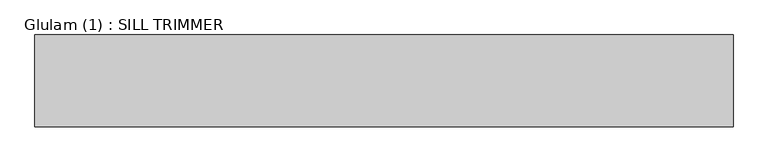
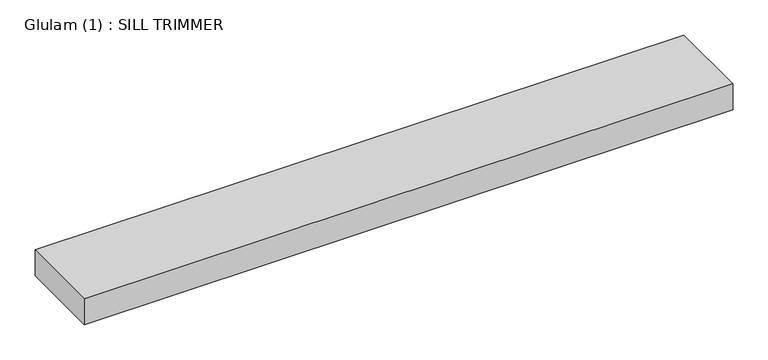
"""IFC4 building model written with IfcOpenShell, lengths in millimetres: beam geometry, Glulam (1) : SILL TRIMMER."""

from ifc_helpers import new_model, si_unit, frame, origin, place, context, project, spatial, polyline, outline, extrude, source, transform, mapped, element, save


def glulam_1_sill_trimmer_b8701b5d(model_context):
    return source(origin(), model_context, "Body", "SweptSolid", [
        extrude(outline(polyline([(530.5, 70.0), (530.5, -70.0), (-535.5, -70.0), (-535.5, 70.0), (530.5, 70.0)])), frame((0.0, 0.0, -22.5), z_axis=(0.0, 0.0, 1.0), x_axis=(1.0, 0.0, 0.0)), (0.0, 0.0, 1.0), 45.0),
    ])


if __name__ == "__main__":
    model = new_model("IFC4")
    model_context = context("Model", 3, world=origin())
    ifc_project = project(units=[si_unit("LENGTHUNIT", "METRE", prefix="MILLI")], contexts=[model_context])
    site = spatial("IfcSite", under=ifc_project)
    building = spatial("IfcBuilding", under=site)
    placement = place(None, origin())
    glulam_1_sill_trimmer_shape = glulam_1_sill_trimmer_b8701b5d(model_context)
    element("IfcBeam", 1, ObjectType="Glulam (1) : SILL TRIMMER", at=placement, inside=building, context=model_context, shape_type="MappedRepresentation", body=[
        mapped(glulam_1_sill_trimmer_shape, transform((0.0, 0.0, 0.0), x_axis=(1.0, 0.0, 0.0), y_axis=(0.0, 1.0, 0.0), z_axis=(0.0, 0.0, 1.0))),
    ])
    save(model, "model.ifc")
